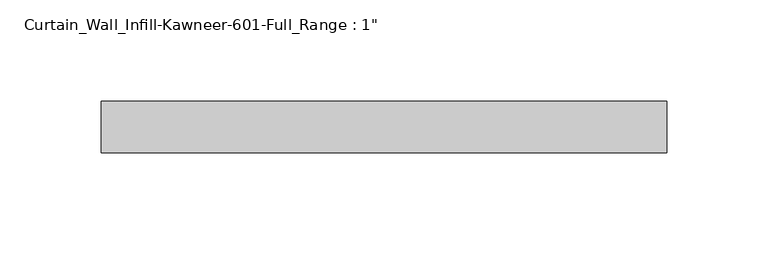
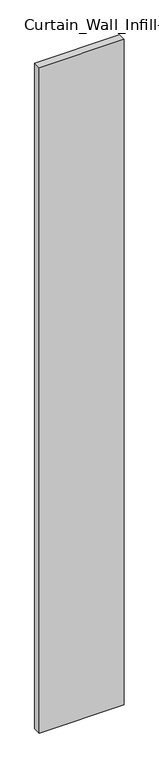
"""IFC4 building model written with IfcOpenShell, lengths in millimetres: plate geometry."""

from ifc_helpers import new_model, si_unit, origin, origin_with_axes, place, context, project, spatial, polyline, outline, extrude, source, transform, mapped, element, save


def plate_7706169e(model_context):
    return source(origin(), model_context, "Body", "SweptSolid", [
        extrude(outline(polyline([(-139.7, 0.0), (139.7, 0.0), (139.7, -25.4), (-139.7, -25.4), (-139.7, 0.0)])), origin_with_axes(), (0.0, 0.0, 1.0), 2311.4),
    ])


if __name__ == "__main__":
    model = new_model("IFC4")
    model_context = context("Model", 3, world=origin())
    ifc_project = project(units=[si_unit("LENGTHUNIT", "METRE", prefix="MILLI")], contexts=[model_context])
    site = spatial("IfcSite", under=ifc_project)
    building = spatial("IfcBuilding", under=site)
    placement = place(None, origin())
    plate_shape = plate_7706169e(model_context)
    element("IfcPlate", 1, ObjectType="Curtain_Wall_Infill-Kawneer-601-Full_Range : 1\"", at=placement, inside=building, context=model_context, shape_type="MappedRepresentation", body=[
        mapped(plate_shape, transform((0.0, 0.0, 0.0), x_axis=(1.0, 0.0, 0.0), y_axis=(0.0, 1.0, 0.0), z_axis=(0.0, 0.0, 1.0))),
    ])
    save(model, "model.ifc")
